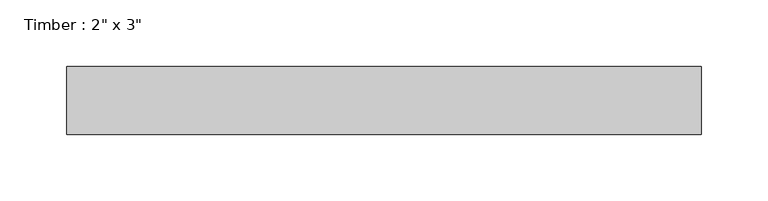
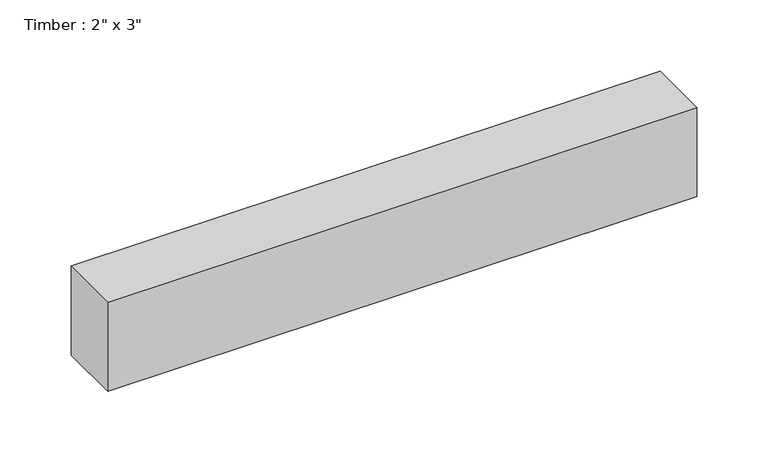
"""IFC4 building model written with IfcOpenShell, lengths in millimetres: beam geometry."""

from ifc_helpers import new_model, si_unit, frame, origin, place, context, project, spatial, polyline, outline, extrude, source, transform, mapped, element, save


def beam_2db5e3c7(model_context):
    return source(origin(), model_context, "Body", "SweptSolid", [
        extrude(outline(polyline([(237.7536535, 25.4), (237.7536535, -25.4), (-237.7536535, -25.4), (-237.7536535, 25.4), (237.7536535, 25.4)])), frame((0.0, 0.0, -38.1), z_axis=(0.0, 0.0, 1.0), x_axis=(1.0, 0.0, 0.0)), (0.0, 0.0, 1.0), 76.2),
    ])


if __name__ == "__main__":
    model = new_model("IFC4")
    model_context = context("Model", 3, world=origin())
    ifc_project = project(units=[si_unit("LENGTHUNIT", "METRE", prefix="MILLI")], contexts=[model_context])
    site = spatial("IfcSite", under=ifc_project)
    building = spatial("IfcBuilding", under=site)
    placement = place(None, origin())
    beam_shape = beam_2db5e3c7(model_context)
    element("IfcBeam", 1, ObjectType="Timber : 2\" x 3\"", at=placement, inside=building, context=model_context, shape_type="MappedRepresentation", body=[
        mapped(beam_shape, transform((0.0, 0.0, 0.0), x_axis=(1.0, 0.0, 0.0), y_axis=(0.0, 1.0, 0.0), z_axis=(0.0, 0.0, 1.0))),
    ])
    save(model, "model.ifc")
